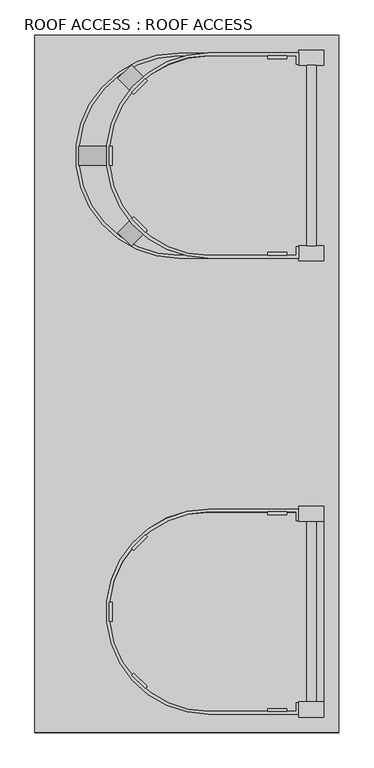
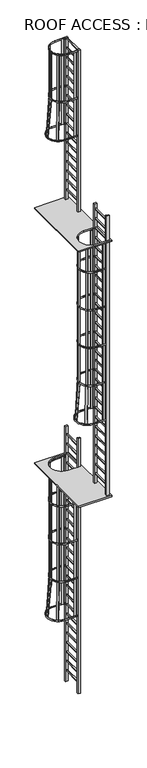
"""IFC4 building model written with IfcOpenShell, lengths in millimetres: proxy geometry, ROOF ACCESS : ROOF ACCESS."""

from ifc_helpers import new_model, si_unit, point, frame, frame_2d, origin, place, context, project, spatial, polyline, circle_curve, trimmed, segment, composite_curve, outline, extrude, source, transform, mapped, element, save


def roof_access_roof_access_285ead32(model_context):
    return source(origin(), model_context, "Body", "SweptSolid", [
        extrude(outline(polyline([(254595.2707747, 257764.8730843), (253579.2707747, 257764.8730843), (253579.2707747, 260095.3230843), (254595.2707747, 260095.3230843), (254595.2707747, 257764.8730843)]), holes=[composite_curve([segment(trimmed(circle_curve(frame_2d((254160.2957747, 258168.0980843)), 342.9), [point((254160.2957747, 258510.9980843))], [point((254160.2957747, 257825.1980843))], True, "CARTESIAN"), True, "CONTINUOUS"), segment(polyline([(254160.2957747, 257825.1980843), (254544.4707747, 257825.1980843), (254544.4707747, 258510.9980843), (254160.2957747, 258510.9980843)]), True, "CONTINUOUS")], self_intersect=False)]), frame((0.0, 0.0, 19291.3), z_axis=(0.0, 0.0, 1.0), x_axis=(1.0, 0.0, 0.0)), (0.0, 0.0, 1.0), 38.1),
        extrude(outline(polyline([(0.0, 0.0), (32.416563, -2.7885215), (31.6002229, -12.2784748), (-0.4089223, -9.525), (-1185.8707606, -9.525), (-1214.6771306, -7.0470327), (-1213.8607905, 2.4429206), (-1185.4618382, 0.0), (0.0, 0.0)])), frame((253901.7949295, 259388.6959586, 21803.2643386), z_axis=(-0.7071067811870541, 0.707106781186041, 0.0), x_axis=(-0.03814527034723701, -0.03814527034732451, -0.9985438782047916)), (0.0, 0.0, 1.0), 63.5),
        extrude(outline(polyline([(-38.1000001, 0.0), (-5.5637217, 0.0), (-5.5637218, -9.525), (-37.6910777, -9.5250001), (-1218.7910777, -111.1250001), (-1247.7038305, -111.125), (-1247.7038305, -101.6000001), (-1219.2, -101.6), (-38.1000001, 0.0)])), frame((253857.7512578, 259949.7413206, 21765.1836477), z_axis=(0.7071067811870542, 0.7071067811860409, 0.0), x_axis=(0.022509420823241387, -0.022509420823240762, -0.9994931975498406)), (0.0, 0.0, 1.0), 63.5),
        extrude(outline(polyline([(253910.2192846, 259897.2732938), (253903.4840925, 259904.0084859), (253948.3853731, 259948.9097665), (253955.1205652, 259942.1745744), (253910.2192846, 259897.2732938)])), frame((0.0, 0.0, 22987.0), z_axis=(0.0, 0.0, 1.0), x_axis=(1.0, 0.0, 0.0)), (0.0, 0.0, 1.0), 1555.75),
        extrude(outline(polyline([(253910.2192846, 259486.9228749), (253955.1205652, 259442.0215943), (253948.3853731, 259435.2864022), (253903.4840925, 259480.1876828), (253910.2192846, 259486.9228749)])), frame((0.0, 0.0, 22987.0), z_axis=(0.0, 0.0, 1.0), x_axis=(1.0, 0.0, 0.0)), (0.0, 0.0, 1.0), 1555.75),
        extrude(outline(polyline([(254357.1457747, 260015.9480843), (254357.1457747, 260025.4730843), (254420.6457747, 260025.4730843), (254420.6457747, 260015.9480843), (254357.1457747, 260015.9480843)])), frame((0.0, 0.0, 21767.8), z_axis=(0.0, 0.0, 1.0), x_axis=(1.0, 0.0, 0.0)), (0.0, 0.0, 1.0), 2774.95),
        extrude(outline(polyline([(254357.1457747, 259368.2480843), (254420.6457747, 259368.2480843), (254420.6457747, 259358.7230843), (254357.1457747, 259358.7230843), (254357.1457747, 259368.2480843)])), frame((0.0, 0.0, 21767.8), z_axis=(0.0, 0.0, 1.0), x_axis=(1.0, 0.0, 0.0)), (0.0, 0.0, 1.0), 2774.95),
        extrude(outline(polyline([(21805.9, 253725.3207747), (21767.8, 253725.3207747), (21767.8, 253734.8457747), (21805.4910777, 253734.8457747), (22986.5910777, 253836.4457747), (23025.1, 253836.4457747), (23025.1, 253826.9207747), (22987.0, 253826.9207747), (21805.9, 253725.3207747)])), frame((0.0, 259660.3480843, 0.0), z_axis=(0.0, 1.0, 0.0), x_axis=(0.0, 0.0, 1.0)), (0.0, 0.0, 1.0), 63.5),
        extrude(outline(polyline([(253837.9611234, 259723.8480843), (253837.9611234, 259660.3480843), (253828.4361234, 259660.3480843), (253828.4361234, 259723.8480843), (253837.9611234, 259723.8480843)])), frame((0.0, 0.0, 22987.0), z_axis=(0.0, 0.0, 1.0), x_axis=(1.0, 0.0, 0.0)), (0.0, 0.0, 1.0), 1555.75),
        extrude(outline(composite_curve([segment(polyline([(254461.9207747, 259996.8980843), (254452.3957747, 259996.8980843), (254452.3957747, 260025.4730843), (254058.6957747, 260025.4730843)]), True, "CONTINUOUS"), segment(trimmed(circle_curve(frame_2d((254058.6957747, 259692.0980843)), 333.375), [point((254058.6957747, 260025.4730843))], [point((254058.6957747, 259358.7230843))], True, "CARTESIAN"), True, "CONTINUOUS"), segment(polyline([(254058.6957747, 259358.7230843), (254452.3957747, 259358.7230843), (254452.3957747, 259387.2980843), (254461.9207747, 259387.2980843), (254461.9207747, 259349.1980843), (254058.6957747, 259349.1980843)]), True, "CONTINUOUS"), segment(trimmed(circle_curve(frame_2d((254058.6957747, 259692.0980843)), 342.9), [point((254058.6957747, 259349.1980843))], [point((254058.6957747, 260034.9980843))], False, "CARTESIAN"), True, "CONTINUOUS"), segment(polyline([(254058.6957747, 260034.9980843), (254461.9207747, 260034.9980843), (254461.9207747, 259996.8980843)]), True, "CONTINUOUS")], self_intersect=False)), frame((0.0, 0.0, 21767.8), z_axis=(0.0, 0.0, 1.0), x_axis=(1.0, 0.0, 0.0)), (0.0, 0.0, 1.0), 38.1),
        extrude(outline(composite_curve([segment(polyline([(254461.9207747, 259996.8980843), (254452.3957747, 259996.8980843), (254452.3957747, 260025.4730843), (254160.2957747, 260025.4730843)]), True, "CONTINUOUS"), segment(trimmed(circle_curve(frame_2d((254160.2957747, 259692.0980843)), 333.375), [point((254160.2957747, 260025.4730843))], [point((254160.2957747, 259358.7230843))], True, "CARTESIAN"), True, "CONTINUOUS"), segment(polyline([(254160.2957747, 259358.7230843), (254452.3957747, 259358.7230843), (254452.3957747, 259387.2980843), (254461.9207747, 259387.2980843), (254461.9207747, 259349.1980843), (254160.2957747, 259349.1980843)]), True, "CONTINUOUS"), segment(trimmed(circle_curve(frame_2d((254160.2957747, 259692.0980843)), 342.9), [point((254160.2957747, 259349.1980843))], [point((254160.2957747, 260034.9980843))], False, "CARTESIAN"), True, "CONTINUOUS"), segment(polyline([(254160.2957747, 260034.9980843), (254461.9207747, 260034.9980843), (254461.9207747, 259996.8980843)]), True, "CONTINUOUS")], self_intersect=False)), frame((0.0, 0.0, 24504.65), z_axis=(0.0, 0.0, 1.0), x_axis=(1.0, 0.0, 0.0)), (0.0, 0.0, 1.0), 38.1),
        extrude(outline(composite_curve([segment(polyline([(254461.9207747, 259996.8980843), (254452.3957747, 259996.8980843), (254452.3957747, 260025.4730843), (254160.2957747, 260025.4730843)]), True, "CONTINUOUS"), segment(trimmed(circle_curve(frame_2d((254160.2957747, 259692.0980843)), 333.375), [point((254160.2957747, 260025.4730843))], [point((254160.2957747, 259358.7230843))], True, "CARTESIAN"), True, "CONTINUOUS"), segment(polyline([(254160.2957747, 259358.7230843), (254452.3957747, 259358.7230843), (254452.3957747, 259387.2980843), (254461.9207747, 259387.2980843), (254461.9207747, 259349.1980843), (254160.2957747, 259349.1980843)]), True, "CONTINUOUS"), segment(trimmed(circle_curve(frame_2d((254160.2957747, 259692.0980843)), 342.9), [point((254160.2957747, 259349.1980843))], [point((254160.2957747, 260034.9980843))], False, "CARTESIAN"), True, "CONTINUOUS"), segment(polyline([(254160.2957747, 260034.9980843), (254461.9207747, 260034.9980843), (254461.9207747, 259996.8980843)]), True, "CONTINUOUS")], self_intersect=False)), frame((0.0, 0.0, 22987.0), z_axis=(0.0, 0.0, 1.0), x_axis=(1.0, 0.0, 0.0)), (0.0, 0.0, 1.0), 38.1),
        extrude(outline(polyline([(254519.0707747, 259390.4730843), (254487.3207747, 259390.4730843), (254487.3207747, 259993.7230843), (254519.0707747, 259993.7230843), (254519.0707747, 259390.4730843)])), frame((0.0, 0.0, 20548.6), z_axis=(0.0, 0.0, 1.0), x_axis=(1.0, 0.0, 0.0)), (0.0, 0.0, 1.0), 31.75),
        extrude(outline(polyline([(254519.0707747, 259390.4730843), (254487.3207747, 259390.4730843), (254487.3207747, 259993.7230843), (254519.0707747, 259993.7230843), (254519.0707747, 259390.4730843)])), frame((0.0, 0.0, 20853.4), z_axis=(0.0, 0.0, 1.0), x_axis=(1.0, 0.0, 0.0)), (0.0, 0.0, 1.0), 31.75),
        extrude(outline(polyline([(254519.0707747, 259390.4730843), (254487.3207747, 259390.4730843), (254487.3207747, 259993.7230843), (254519.0707747, 259993.7230843), (254519.0707747, 259390.4730843)])), frame((0.0, 0.0, 21158.2), z_axis=(0.0, 0.0, 1.0), x_axis=(1.0, 0.0, 0.0)), (0.0, 0.0, 1.0), 31.75),
        extrude(outline(polyline([(254519.0707747, 259390.4730843), (254487.3207747, 259390.4730843), (254487.3207747, 259993.7230843), (254519.0707747, 259993.7230843), (254519.0707747, 259390.4730843)])), frame((0.0, 0.0, 21463.0), z_axis=(0.0, 0.0, 1.0), x_axis=(1.0, 0.0, 0.0)), (0.0, 0.0, 1.0), 31.75),
        extrude(outline(polyline([(254519.0707747, 259390.4730843), (254487.3207747, 259390.4730843), (254487.3207747, 259993.7230843), (254519.0707747, 259993.7230843), (254519.0707747, 259390.4730843)])), frame((0.0, 0.0, 21767.8), z_axis=(0.0, 0.0, 1.0), x_axis=(1.0, 0.0, 0.0)), (0.0, 0.0, 1.0), 31.75),
        extrude(outline(polyline([(254519.0707747, 259390.4730843), (254487.3207747, 259390.4730843), (254487.3207747, 259993.7230843), (254519.0707747, 259993.7230843), (254519.0707747, 259390.4730843)])), frame((0.0, 0.0, 22072.6), z_axis=(0.0, 0.0, 1.0), x_axis=(1.0, 0.0, 0.0)), (0.0, 0.0, 1.0), 31.75),
        extrude(outline(polyline([(254519.0707747, 259390.4730843), (254487.3207747, 259390.4730843), (254487.3207747, 259993.7230843), (254519.0707747, 259993.7230843), (254519.0707747, 259390.4730843)])), frame((0.0, 0.0, 22377.4), z_axis=(0.0, 0.0, 1.0), x_axis=(1.0, 0.0, 0.0)), (0.0, 0.0, 1.0), 31.75),
        extrude(outline(polyline([(254519.0707747, 259390.4730843), (254487.3207747, 259390.4730843), (254487.3207747, 259993.7230843), (254519.0707747, 259993.7230843), (254519.0707747, 259390.4730843)])), frame((0.0, 0.0, 22682.2), z_axis=(0.0, 0.0, 1.0), x_axis=(1.0, 0.0, 0.0)), (0.0, 0.0, 1.0), 31.75),
        extrude(outline(polyline([(254519.0707747, 259390.4730843), (254487.3207747, 259390.4730843), (254487.3207747, 259993.7230843), (254519.0707747, 259993.7230843), (254519.0707747, 259390.4730843)])), frame((0.0, 0.0, 22987.0), z_axis=(0.0, 0.0, 1.0), x_axis=(1.0, 0.0, 0.0)), (0.0, 0.0, 1.0), 31.75),
        extrude(outline(polyline([(254519.0707747, 259390.4730843), (254487.3207747, 259390.4730843), (254487.3207747, 259993.7230843), (254519.0707747, 259993.7230843), (254519.0707747, 259390.4730843)])), frame((0.0, 0.0, 23291.8), z_axis=(0.0, 0.0, 1.0), x_axis=(1.0, 0.0, 0.0)), (0.0, 0.0, 1.0), 31.75),
        extrude(outline(polyline([(254519.0707747, 259390.4730843), (254487.3207747, 259390.4730843), (254487.3207747, 259993.7230843), (254519.0707747, 259993.7230843), (254519.0707747, 259390.4730843)])), frame((0.0, 0.0, 23596.6), z_axis=(0.0, 0.0, 1.0), x_axis=(1.0, 0.0, 0.0)), (0.0, 0.0, 1.0), 31.75),
        extrude(outline(polyline([(254519.0707747, 259390.4730843), (254487.3207747, 259390.4730843), (254487.3207747, 259993.7230843), (254519.0707747, 259993.7230843), (254519.0707747, 259390.4730843)])), frame((0.0, 0.0, 23901.4), z_axis=(0.0, 0.0, 1.0), x_axis=(1.0, 0.0, 0.0)), (0.0, 0.0, 1.0), 31.75),
        extrude(outline(polyline([(254519.0707747, 259390.4730843), (254487.3207747, 259390.4730843), (254487.3207747, 259993.7230843), (254519.0707747, 259993.7230843), (254519.0707747, 259390.4730843)])), frame((0.0, 0.0, 24206.2), z_axis=(0.0, 0.0, 1.0), x_axis=(1.0, 0.0, 0.0)), (0.0, 0.0, 1.0), 31.75),
        extrude(outline(polyline([(254519.0707747, 259390.4730843), (254487.3207747, 259390.4730843), (254487.3207747, 259993.7230843), (254519.0707747, 259993.7230843), (254519.0707747, 259390.4730843)])), frame((0.0, 0.0, 24511.0), z_axis=(0.0, 0.0, 1.0), x_axis=(1.0, 0.0, 0.0)), (0.0, 0.0, 1.0), 31.75),
        extrude(outline(polyline([(254519.0707747, 259390.4730843), (254487.3207747, 259390.4730843), (254487.3207747, 259993.7230843), (254519.0707747, 259993.7230843), (254519.0707747, 259390.4730843)])), frame((0.0, 0.0, 20243.8), z_axis=(0.0, 0.0, 1.0), x_axis=(1.0, 0.0, 0.0)), (0.0, 0.0, 1.0), 31.75),
        extrude(outline(polyline([(254519.0707747, 259390.4730843), (254487.3207747, 259390.4730843), (254487.3207747, 259993.7230843), (254519.0707747, 259993.7230843), (254519.0707747, 259390.4730843)])), frame((0.0, 0.0, 19939.0), z_axis=(0.0, 0.0, 1.0), x_axis=(1.0, 0.0, 0.0)), (0.0, 0.0, 1.0), 31.75),
        extrude(outline(polyline([(254519.0707747, 259390.4730843), (254487.3207747, 259390.4730843), (254487.3207747, 259993.7230843), (254519.0707747, 259993.7230843), (254519.0707747, 259390.4730843)])), frame((0.0, 0.0, 19634.2), z_axis=(0.0, 0.0, 1.0), x_axis=(1.0, 0.0, 0.0)), (0.0, 0.0, 1.0), 31.75),
        extrude(outline(polyline([(254544.4707747, 260044.5230843), (254544.4707747, 259993.7230843), (254461.9207747, 259993.7230843), (254461.9207747, 260044.5230843), (254544.4707747, 260044.5230843)])), frame((0.0, 0.0, 19329.4), z_axis=(0.0, 0.0, 1.0), x_axis=(1.0, 0.0, 0.0)), (0.0, 0.0, 1.0), 5213.35),
        extrude(outline(polyline([(254544.4707747, 259390.4730843), (254544.4707747, 259339.6730843), (254461.9207747, 259339.6730843), (254461.9207747, 259390.4730843), (254544.4707747, 259390.4730843)])), frame((0.0, 0.0, 19329.4), z_axis=(0.0, 0.0, 1.0), x_axis=(1.0, 0.0, 0.0)), (0.0, 0.0, 1.0), 5213.35),
        extrude(outline(polyline([(254595.2707747, 260095.3230843), (254595.2707747, 257764.8730843), (253579.2707747, 257764.8730843), (253579.2707747, 260095.3230843), (254595.2707747, 260095.3230843)]), holes=[composite_curve([segment(polyline([(254160.2957747, 259349.1980843), (254544.4707747, 259349.1980843), (254544.4707747, 260034.9980843), (254160.2957747, 260034.9980843)]), True, "CONTINUOUS"), segment(trimmed(circle_curve(frame_2d((254160.2957747, 259692.0980843)), 342.9), [point((254160.2957747, 260034.9980843))], [point((254160.2957747, 259349.1980843))], True, "CARTESIAN"), True, "CONTINUOUS")], self_intersect=False)]), frame((0.0, 0.0, 11061.7), z_axis=(0.0, 0.0, 1.0), x_axis=(1.0, 0.0, 0.0)), (0.0, 0.0, 1.0), 38.1),
        extrude(outline(polyline([(0.0, 0.0), (32.416563, -2.7885215), (31.6002229, -12.2784748), (-0.4089223, -9.525), (-1185.8707606, -9.525), (-1214.6771306, -7.0470327), (-1213.8607905, 2.4429206), (-1185.4618382, 0.0), (0.0, 0.0)])), frame((253901.7949295, 257864.6959586, 13573.6643386), z_axis=(-0.7071067811870542, 0.707106781186041, 0.0), x_axis=(-0.03814527034723968, -0.03814527034732719, -0.9985438782047914)), (0.0, 0.0, 1.0), 63.5),
        extrude(outline(polyline([(-38.1000001, 0.0), (-5.5637217, 0.0), (-5.5637218, -9.525), (-37.6910777, -9.5250001), (-1218.7910777, -111.1250001), (-1247.7038305, -111.125), (-1247.7038305, -101.6000001), (-1219.2, -101.6), (-38.1000001, 0.0)])), frame((253857.7512578, 258425.7413206, 13535.5836477), z_axis=(0.7071067811870542, 0.7071067811860409, 0.0), x_axis=(0.022509420823242886, -0.02250942082324226, -0.9994931975498405)), (0.0, 0.0, 1.0), 63.5),
        extrude(outline(polyline([(253910.2192846, 258373.2732938), (253903.4840925, 258380.0084859), (253948.3853731, 258424.9097665), (253955.1205652, 258418.1745744), (253910.2192846, 258373.2732938)])), frame((0.0, 0.0, 14757.4), z_axis=(0.0, 0.0, 1.0), x_axis=(1.0, 0.0, 0.0)), (0.0, 0.0, 1.0), 4533.9),
        extrude(outline(polyline([(253910.2192846, 257962.9228749), (253955.1205652, 257918.0215943), (253948.3853731, 257911.2864022), (253903.4840925, 257956.1876828), (253910.2192846, 257962.9228749)])), frame((0.0, 0.0, 14757.4), z_axis=(0.0, 0.0, 1.0), x_axis=(1.0, 0.0, 0.0)), (0.0, 0.0, 1.0), 4533.9),
        extrude(outline(polyline([(254357.1457747, 258491.9480843), (254357.1457747, 258501.4730843), (254420.6457747, 258501.4730843), (254420.6457747, 258491.9480843), (254357.1457747, 258491.9480843)])), frame((0.0, 0.0, 13538.2), z_axis=(0.0, 0.0, 1.0), x_axis=(1.0, 0.0, 0.0)), (0.0, 0.0, 1.0), 5753.1),
        extrude(outline(polyline([(254357.1457747, 257844.2480843), (254420.6457747, 257844.2480843), (254420.6457747, 257834.7230843), (254357.1457747, 257834.7230843), (254357.1457747, 257844.2480843)])), frame((0.0, 0.0, 13538.2), z_axis=(0.0, 0.0, 1.0), x_axis=(1.0, 0.0, 0.0)), (0.0, 0.0, 1.0), 5753.1),
        extrude(outline(polyline([(13576.3, 253725.3207747), (13538.2, 253725.3207747), (13538.2, 253734.8457747), (13575.8910777, 253734.8457747), (14756.9910777, 253836.4457747), (14795.5, 253836.4457747), (14795.5, 253826.9207747), (14757.4, 253826.9207747), (13576.3, 253725.3207747)])), frame((0.0, 258136.3480843, 0.0), z_axis=(0.0, 1.0, 0.0), x_axis=(0.0, 0.0, 1.0)), (0.0, 0.0, 1.0), 63.5),
        extrude(outline(polyline([(253837.9611234, 258199.8480843), (253837.9611234, 258136.3480843), (253828.4361234, 258136.3480843), (253828.4361234, 258199.8480843), (253837.9611234, 258199.8480843)])), frame((0.0, 0.0, 14757.4), z_axis=(0.0, 0.0, 1.0), x_axis=(1.0, 0.0, 0.0)), (0.0, 0.0, 1.0), 4533.9),
        extrude(outline(composite_curve([segment(polyline([(254461.9207747, 258472.8980843), (254452.3957747, 258472.8980843), (254452.3957747, 258501.4730843), (254058.6957747, 258501.4730843)]), True, "CONTINUOUS"), segment(trimmed(circle_curve(frame_2d((254058.6957747, 258168.0980843)), 333.375), [point((254058.6957747, 258501.4730843))], [point((254058.6957747, 257834.7230843))], True, "CARTESIAN"), True, "CONTINUOUS"), segment(polyline([(254058.6957747, 257834.7230843), (254452.3957747, 257834.7230843), (254452.3957747, 257863.2980843), (254461.9207747, 257863.2980843), (254461.9207747, 257825.1980843), (254058.6957747, 257825.1980843)]), True, "CONTINUOUS"), segment(trimmed(circle_curve(frame_2d((254058.6957747, 258168.0980843)), 342.9), [point((254058.6957747, 257825.1980843))], [point((254058.6957747, 258510.9980843))], False, "CARTESIAN"), True, "CONTINUOUS"), segment(polyline([(254058.6957747, 258510.9980843), (254461.9207747, 258510.9980843), (254461.9207747, 258472.8980843)]), True, "CONTINUOUS")], self_intersect=False)), frame((0.0, 0.0, 13538.2), z_axis=(0.0, 0.0, 1.0), x_axis=(1.0, 0.0, 0.0)), (0.0, 0.0, 1.0), 38.1),
        extrude(outline(composite_curve([segment(polyline([(254461.9207747, 258472.8980843), (254452.3957747, 258472.8980843), (254452.3957747, 258501.4730843), (254160.2957747, 258501.4730843)]), True, "CONTINUOUS"), segment(trimmed(circle_curve(frame_2d((254160.2957747, 258168.0980843)), 333.375), [point((254160.2957747, 258501.4730843))], [point((254160.2957747, 257834.7230843))], True, "CARTESIAN"), True, "CONTINUOUS"), segment(polyline([(254160.2957747, 257834.7230843), (254452.3957747, 257834.7230843), (254452.3957747, 257863.2980843), (254461.9207747, 257863.2980843), (254461.9207747, 257825.1980843), (254160.2957747, 257825.1980843)]), True, "CONTINUOUS"), segment(trimmed(circle_curve(frame_2d((254160.2957747, 258168.0980843)), 342.9), [point((254160.2957747, 257825.1980843))], [point((254160.2957747, 258510.9980843))], False, "CARTESIAN"), True, "CONTINUOUS"), segment(polyline([(254160.2957747, 258510.9980843), (254461.9207747, 258510.9980843), (254461.9207747, 258472.8980843)]), True, "CONTINUOUS")], self_intersect=False)), frame((0.0, 0.0, 18415.0), z_axis=(0.0, 0.0, 1.0), x_axis=(1.0, 0.0, 0.0)), (0.0, 0.0, 1.0), 38.1),
        extrude(outline(composite_curve([segment(polyline([(254461.9207747, 258472.8980843), (254452.3957747, 258472.8980843), (254452.3957747, 258501.4730843), (254160.2957747, 258501.4730843)]), True, "CONTINUOUS"), segment(trimmed(circle_curve(frame_2d((254160.2957747, 258168.0980843)), 333.375), [point((254160.2957747, 258501.4730843))], [point((254160.2957747, 257834.7230843))], True, "CARTESIAN"), True, "CONTINUOUS"), segment(polyline([(254160.2957747, 257834.7230843), (254452.3957747, 257834.7230843), (254452.3957747, 257863.2980843), (254461.9207747, 257863.2980843), (254461.9207747, 257825.1980843), (254160.2957747, 257825.1980843)]), True, "CONTINUOUS"), segment(trimmed(circle_curve(frame_2d((254160.2957747, 258168.0980843)), 342.9), [point((254160.2957747, 257825.1980843))], [point((254160.2957747, 258510.9980843))], False, "CARTESIAN"), True, "CONTINUOUS"), segment(polyline([(254160.2957747, 258510.9980843), (254461.9207747, 258510.9980843), (254461.9207747, 258472.8980843)]), True, "CONTINUOUS")], self_intersect=False)), frame((0.0, 0.0, 17195.8), z_axis=(0.0, 0.0, 1.0), x_axis=(1.0, 0.0, 0.0)), (0.0, 0.0, 1.0), 38.1),
        extrude(outline(composite_curve([segment(polyline([(254461.9207747, 258472.8980843), (254452.3957747, 258472.8980843), (254452.3957747, 258501.4730843), (254160.2957747, 258501.4730843)]), True, "CONTINUOUS"), segment(trimmed(circle_curve(frame_2d((254160.2957747, 258168.0980843)), 333.375), [point((254160.2957747, 258501.4730843))], [point((254160.2957747, 257834.7230843))], True, "CARTESIAN"), True, "CONTINUOUS"), segment(polyline([(254160.2957747, 257834.7230843), (254452.3957747, 257834.7230843), (254452.3957747, 257863.2980843), (254461.9207747, 257863.2980843), (254461.9207747, 257825.1980843), (254160.2957747, 257825.1980843)]), True, "CONTINUOUS"), segment(trimmed(circle_curve(frame_2d((254160.2957747, 258168.0980843)), 342.9), [point((254160.2957747, 257825.1980843))], [point((254160.2957747, 258510.9980843))], False, "CARTESIAN"), True, "CONTINUOUS"), segment(polyline([(254160.2957747, 258510.9980843), (254461.9207747, 258510.9980843), (254461.9207747, 258472.8980843)]), True, "CONTINUOUS")], self_intersect=False)), frame((0.0, 0.0, 15976.6), z_axis=(0.0, 0.0, 1.0), x_axis=(1.0, 0.0, 0.0)), (0.0, 0.0, 1.0), 38.1),
        extrude(outline(composite_curve([segment(polyline([(254461.9207747, 258472.8980843), (254452.3957747, 258472.8980843), (254452.3957747, 258501.4730843), (254160.2957747, 258501.4730843)]), True, "CONTINUOUS"), segment(trimmed(circle_curve(frame_2d((254160.2957747, 258168.0980843)), 333.375), [point((254160.2957747, 258501.4730843))], [point((254160.2957747, 257834.7230843))], True, "CARTESIAN"), True, "CONTINUOUS"), segment(polyline([(254160.2957747, 257834.7230843), (254452.3957747, 257834.7230843), (254452.3957747, 257863.2980843), (254461.9207747, 257863.2980843), (254461.9207747, 257825.1980843), (254160.2957747, 257825.1980843)]), True, "CONTINUOUS"), segment(trimmed(circle_curve(frame_2d((254160.2957747, 258168.0980843)), 342.9), [point((254160.2957747, 257825.1980843))], [point((254160.2957747, 258510.9980843))], False, "CARTESIAN"), True, "CONTINUOUS"), segment(polyline([(254160.2957747, 258510.9980843), (254461.9207747, 258510.9980843), (254461.9207747, 258472.8980843)]), True, "CONTINUOUS")], self_intersect=False)), frame((0.0, 0.0, 14757.4), z_axis=(0.0, 0.0, 1.0), x_axis=(1.0, 0.0, 0.0)), (0.0, 0.0, 1.0), 38.1),
        extrude(outline(polyline([(254519.0707747, 257866.4730843), (254487.3207747, 257866.4730843), (254487.3207747, 258469.7230843), (254519.0707747, 258469.7230843), (254519.0707747, 257866.4730843)])), frame((0.0, 0.0, 12623.8), z_axis=(0.0, 0.0, 1.0), x_axis=(1.0, 0.0, 0.0)), (0.0, 0.0, 1.0), 31.75),
        extrude(outline(polyline([(254519.0707747, 257866.4730843), (254487.3207747, 257866.4730843), (254487.3207747, 258469.7230843), (254519.0707747, 258469.7230843), (254519.0707747, 257866.4730843)])), frame((0.0, 0.0, 12928.6), z_axis=(0.0, 0.0, 1.0), x_axis=(1.0, 0.0, 0.0)), (0.0, 0.0, 1.0), 31.75),
        extrude(outline(polyline([(254519.0707747, 257866.4730843), (254487.3207747, 257866.4730843), (254487.3207747, 258469.7230843), (254519.0707747, 258469.7230843), (254519.0707747, 257866.4730843)])), frame((0.0, 0.0, 13233.4), z_axis=(0.0, 0.0, 1.0), x_axis=(1.0, 0.0, 0.0)), (0.0, 0.0, 1.0), 31.75),
        extrude(outline(polyline([(254519.0707747, 257866.4730843), (254487.3207747, 257866.4730843), (254487.3207747, 258469.7230843), (254519.0707747, 258469.7230843), (254519.0707747, 257866.4730843)])), frame((0.0, 0.0, 13538.2), z_axis=(0.0, 0.0, 1.0), x_axis=(1.0, 0.0, 0.0)), (0.0, 0.0, 1.0), 31.75),
        extrude(outline(polyline([(254519.0707747, 257866.4730843), (254487.3207747, 257866.4730843), (254487.3207747, 258469.7230843), (254519.0707747, 258469.7230843), (254519.0707747, 257866.4730843)])), frame((0.0, 0.0, 13843.0), z_axis=(0.0, 0.0, 1.0), x_axis=(1.0, 0.0, 0.0)), (0.0, 0.0, 1.0), 31.75),
        extrude(outline(polyline([(254519.0707747, 257866.4730843), (254487.3207747, 257866.4730843), (254487.3207747, 258469.7230843), (254519.0707747, 258469.7230843), (254519.0707747, 257866.4730843)])), frame((0.0, 0.0, 14147.8), z_axis=(0.0, 0.0, 1.0), x_axis=(1.0, 0.0, 0.0)), (0.0, 0.0, 1.0), 31.75),
        extrude(outline(polyline([(254519.0707747, 257866.4730843), (254487.3207747, 257866.4730843), (254487.3207747, 258469.7230843), (254519.0707747, 258469.7230843), (254519.0707747, 257866.4730843)])), frame((0.0, 0.0, 14452.6), z_axis=(0.0, 0.0, 1.0), x_axis=(1.0, 0.0, 0.0)), (0.0, 0.0, 1.0), 31.75),
        extrude(outline(polyline([(254519.0707747, 257866.4730843), (254487.3207747, 257866.4730843), (254487.3207747, 258469.7230843), (254519.0707747, 258469.7230843), (254519.0707747, 257866.4730843)])), frame((0.0, 0.0, 14757.4), z_axis=(0.0, 0.0, 1.0), x_axis=(1.0, 0.0, 0.0)), (0.0, 0.0, 1.0), 31.75),
        extrude(outline(polyline([(254519.0707747, 257866.4730843), (254487.3207747, 257866.4730843), (254487.3207747, 258469.7230843), (254519.0707747, 258469.7230843), (254519.0707747, 257866.4730843)])), frame((0.0, 0.0, 15062.2), z_axis=(0.0, 0.0, 1.0), x_axis=(1.0, 0.0, 0.0)), (0.0, 0.0, 1.0), 31.75),
        extrude(outline(polyline([(254519.0707747, 257866.4730843), (254487.3207747, 257866.4730843), (254487.3207747, 258469.7230843), (254519.0707747, 258469.7230843), (254519.0707747, 257866.4730843)])), frame((0.0, 0.0, 15367.0), z_axis=(0.0, 0.0, 1.0), x_axis=(1.0, 0.0, 0.0)), (0.0, 0.0, 1.0), 31.75),
        extrude(outline(polyline([(254519.0707747, 257866.4730843), (254487.3207747, 257866.4730843), (254487.3207747, 258469.7230843), (254519.0707747, 258469.7230843), (254519.0707747, 257866.4730843)])), frame((0.0, 0.0, 15671.8), z_axis=(0.0, 0.0, 1.0), x_axis=(1.0, 0.0, 0.0)), (0.0, 0.0, 1.0), 31.75),
        extrude(outline(polyline([(254519.0707747, 257866.4730843), (254487.3207747, 257866.4730843), (254487.3207747, 258469.7230843), (254519.0707747, 258469.7230843), (254519.0707747, 257866.4730843)])), frame((0.0, 0.0, 15976.6), z_axis=(0.0, 0.0, 1.0), x_axis=(1.0, 0.0, 0.0)), (0.0, 0.0, 1.0), 31.75),
        extrude(outline(polyline([(254519.0707747, 257866.4730843), (254487.3207747, 257866.4730843), (254487.3207747, 258469.7230843), (254519.0707747, 258469.7230843), (254519.0707747, 257866.4730843)])), frame((0.0, 0.0, 16281.4), z_axis=(0.0, 0.0, 1.0), x_axis=(1.0, 0.0, 0.0)), (0.0, 0.0, 1.0), 31.75),
        extrude(outline(polyline([(254519.0707747, 257866.4730843), (254487.3207747, 257866.4730843), (254487.3207747, 258469.7230843), (254519.0707747, 258469.7230843), (254519.0707747, 257866.4730843)])), frame((0.0, 0.0, 16586.2), z_axis=(0.0, 0.0, 1.0), x_axis=(1.0, 0.0, 0.0)), (0.0, 0.0, 1.0), 31.75),
        extrude(outline(polyline([(254519.0707747, 257866.4730843), (254487.3207747, 257866.4730843), (254487.3207747, 258469.7230843), (254519.0707747, 258469.7230843), (254519.0707747, 257866.4730843)])), frame((0.0, 0.0, 16891.0), z_axis=(0.0, 0.0, 1.0), x_axis=(1.0, 0.0, 0.0)), (0.0, 0.0, 1.0), 31.75),
        extrude(outline(polyline([(254519.0707747, 257866.4730843), (254487.3207747, 257866.4730843), (254487.3207747, 258469.7230843), (254519.0707747, 258469.7230843), (254519.0707747, 257866.4730843)])), frame((0.0, 0.0, 17195.8), z_axis=(0.0, 0.0, 1.0), x_axis=(1.0, 0.0, 0.0)), (0.0, 0.0, 1.0), 31.75),
        extrude(outline(polyline([(254519.0707747, 257866.4730843), (254487.3207747, 257866.4730843), (254487.3207747, 258469.7230843), (254519.0707747, 258469.7230843), (254519.0707747, 257866.4730843)])), frame((0.0, 0.0, 17500.6), z_axis=(0.0, 0.0, 1.0), x_axis=(1.0, 0.0, 0.0)), (0.0, 0.0, 1.0), 31.75),
        extrude(outline(polyline([(254519.0707747, 257866.4730843), (254487.3207747, 257866.4730843), (254487.3207747, 258469.7230843), (254519.0707747, 258469.7230843), (254519.0707747, 257866.4730843)])), frame((0.0, 0.0, 17805.4), z_axis=(0.0, 0.0, 1.0), x_axis=(1.0, 0.0, 0.0)), (0.0, 0.0, 1.0), 31.75),
        extrude(outline(polyline([(254519.0707747, 257866.4730843), (254487.3207747, 257866.4730843), (254487.3207747, 258469.7230843), (254519.0707747, 258469.7230843), (254519.0707747, 257866.4730843)])), frame((0.0, 0.0, 18110.2), z_axis=(0.0, 0.0, 1.0), x_axis=(1.0, 0.0, 0.0)), (0.0, 0.0, 1.0), 31.75),
        extrude(outline(polyline([(254519.0707747, 257866.4730843), (254487.3207747, 257866.4730843), (254487.3207747, 258469.7230843), (254519.0707747, 258469.7230843), (254519.0707747, 257866.4730843)])), frame((0.0, 0.0, 18415.0), z_axis=(0.0, 0.0, 1.0), x_axis=(1.0, 0.0, 0.0)), (0.0, 0.0, 1.0), 31.75),
        extrude(outline(polyline([(254519.0707747, 257866.4730843), (254487.3207747, 257866.4730843), (254487.3207747, 258469.7230843), (254519.0707747, 258469.7230843), (254519.0707747, 257866.4730843)])), frame((0.0, 0.0, 18719.8), z_axis=(0.0, 0.0, 1.0), x_axis=(1.0, 0.0, 0.0)), (0.0, 0.0, 1.0), 31.75),
        extrude(outline(polyline([(254519.0707747, 257866.4730843), (254487.3207747, 257866.4730843), (254487.3207747, 258469.7230843), (254519.0707747, 258469.7230843), (254519.0707747, 257866.4730843)])), frame((0.0, 0.0, 19024.6), z_axis=(0.0, 0.0, 1.0), x_axis=(1.0, 0.0, 0.0)), (0.0, 0.0, 1.0), 31.75),
        extrude(outline(polyline([(254519.0707747, 257866.4730843), (254487.3207747, 257866.4730843), (254487.3207747, 258469.7230843), (254519.0707747, 258469.7230843), (254519.0707747, 257866.4730843)])), frame((0.0, 0.0, 19329.4), z_axis=(0.0, 0.0, 1.0), x_axis=(1.0, 0.0, 0.0)), (0.0, 0.0, 1.0), 31.75),
        extrude(outline(polyline([(254519.0707747, 257866.4730843), (254487.3207747, 257866.4730843), (254487.3207747, 258469.7230843), (254519.0707747, 258469.7230843), (254519.0707747, 257866.4730843)])), frame((0.0, 0.0, 19634.2), z_axis=(0.0, 0.0, 1.0), x_axis=(1.0, 0.0, 0.0)), (0.0, 0.0, 1.0), 31.75),
        extrude(outline(polyline([(254519.0707747, 257866.4730843), (254487.3207747, 257866.4730843), (254487.3207747, 258469.7230843), (254519.0707747, 258469.7230843), (254519.0707747, 257866.4730843)])), frame((0.0, 0.0, 19939.0), z_axis=(0.0, 0.0, 1.0), x_axis=(1.0, 0.0, 0.0)), (0.0, 0.0, 1.0), 31.75),
        extrude(outline(polyline([(254519.0707747, 257866.4730843), (254487.3207747, 257866.4730843), (254487.3207747, 258469.7230843), (254519.0707747, 258469.7230843), (254519.0707747, 257866.4730843)])), frame((0.0, 0.0, 12319.0), z_axis=(0.0, 0.0, 1.0), x_axis=(1.0, 0.0, 0.0)), (0.0, 0.0, 1.0), 31.75),
        extrude(outline(polyline([(254519.0707747, 257866.4730843), (254487.3207747, 257866.4730843), (254487.3207747, 258469.7230843), (254519.0707747, 258469.7230843), (254519.0707747, 257866.4730843)])), frame((0.0, 0.0, 12014.2), z_axis=(0.0, 0.0, 1.0), x_axis=(1.0, 0.0, 0.0)), (0.0, 0.0, 1.0), 31.75),
        extrude(outline(polyline([(254519.0707747, 257866.4730843), (254487.3207747, 257866.4730843), (254487.3207747, 258469.7230843), (254519.0707747, 258469.7230843), (254519.0707747, 257866.4730843)])), frame((0.0, 0.0, 11709.4), z_axis=(0.0, 0.0, 1.0), x_axis=(1.0, 0.0, 0.0)), (0.0, 0.0, 1.0), 31.75),
        extrude(outline(polyline([(254519.0707747, 257866.4730843), (254487.3207747, 257866.4730843), (254487.3207747, 258469.7230843), (254519.0707747, 258469.7230843), (254519.0707747, 257866.4730843)])), frame((0.0, 0.0, 11404.6), z_axis=(0.0, 0.0, 1.0), x_axis=(1.0, 0.0, 0.0)), (0.0, 0.0, 1.0), 31.75),
        extrude(outline(polyline([(254544.4707747, 258520.5230843), (254544.4707747, 258469.7230843), (254461.9207747, 258469.7230843), (254461.9207747, 258520.5230843), (254544.4707747, 258520.5230843)])), frame((0.0, 0.0, 11099.8), z_axis=(0.0, 0.0, 1.0), x_axis=(1.0, 0.0, 0.0)), (0.0, 0.0, 1.0), 9017.0),
        extrude(outline(polyline([(254544.4707747, 257866.4730843), (254544.4707747, 257815.6730843), (254461.9207747, 257815.6730843), (254461.9207747, 257866.4730843), (254544.4707747, 257866.4730843)])), frame((0.0, 0.0, 11099.8), z_axis=(0.0, 0.0, 1.0), x_axis=(1.0, 0.0, 0.0)), (0.0, 0.0, 1.0), 9017.0),
        extrude(outline(polyline([(0.0, 0.0), (32.416563, -2.7885215), (31.6002229, -12.2784748), (-0.4089223, -9.525), (-1185.8707606, -9.525), (-1214.6771306, -7.0470327), (-1213.8607905, 2.4429206), (-1185.4618382, 0.0), (0.0, 0.0)])), frame((253901.7949295, 259388.6959586, 6321.9643386), z_axis=(-0.7071067811870541, 0.7071067811860411, 0.0), x_axis=(-0.038145270347237366, -0.03814527034732486, -0.9985438782047916)), (0.0, 0.0, 1.0), 63.5),
        extrude(outline(polyline([(-38.1000001, 0.0), (-5.5637217, 0.0), (-5.5637218, -9.525), (-37.6910777, -9.5250001), (-1218.7910777, -111.1250001), (-1247.7038305, -111.125), (-1247.7038305, -101.6000001), (-1219.2, -101.6), (-38.1000001, 0.0)])), frame((253857.7512578, 259949.7413206, 6283.8836477), z_axis=(0.7071067811870542, 0.707106781186041, 0.0), x_axis=(0.022509420823242882, -0.022509420823242265, -0.9994931975498405)), (0.0, 0.0, 1.0), 63.5),
        extrude(outline(polyline([(253910.2192846, 259897.2732938), (253903.4840925, 259904.0084859), (253948.3853731, 259948.9097665), (253955.1205652, 259942.1745744), (253910.2192846, 259897.2732938)])), frame((0.0, 0.0, 7313.3087918), z_axis=(0.0, 0.0, 1.0), x_axis=(1.0, 0.0, 0.0)), (0.0, 0.0, 1.0), 3748.3912082),
        extrude(outline(polyline([(253910.2192846, 259486.9228749), (253955.1205652, 259442.0215943), (253948.3853731, 259435.2864022), (253903.4840925, 259480.1876828), (253910.2192846, 259486.9228749)])), frame((0.0, 0.0, 7313.3087918), z_axis=(0.0, 0.0, 1.0), x_axis=(1.0, 0.0, 0.0)), (0.0, 0.0, 1.0), 3748.3912082),
        extrude(outline(polyline([(254357.1457747, 260015.9480843), (254357.1457747, 260025.4730843), (254420.6457747, 260025.4730843), (254420.6457747, 260015.9480843), (254357.1457747, 260015.9480843)])), frame((0.0, 0.0, 6286.5), z_axis=(0.0, 0.0, 1.0), x_axis=(1.0, 0.0, 0.0)), (0.0, 0.0, 1.0), 4775.2),
        extrude(outline(polyline([(254357.1457747, 259368.2480843), (254420.6457747, 259368.2480843), (254420.6457747, 259358.7230843), (254357.1457747, 259358.7230843), (254357.1457747, 259368.2480843)])), frame((0.0, 0.0, 6286.5), z_axis=(0.0, 0.0, 1.0), x_axis=(1.0, 0.0, 0.0)), (0.0, 0.0, 1.0), 4775.2),
        extrude(outline(polyline([(6324.6, 253725.3207747), (6286.5, 253725.3207747), (6286.5, 253734.8457747), (6324.1910777, 253734.8457747), (7505.2910777, 253836.4457747), (7543.8, 253836.4457747), (7543.8, 253826.9207747), (7505.7, 253826.9207747), (6324.6, 253725.3207747)])), frame((0.0, 259660.3480843, 0.0), z_axis=(0.0, 1.0, 0.0), x_axis=(0.0, 0.0, 1.0)), (0.0, 0.0, 1.0), 63.5),
        extrude(outline(polyline([(253837.9611234, 259723.8480843), (253837.9611234, 259660.3480843), (253828.4361234, 259660.3480843), (253828.4361234, 259723.8480843), (253837.9611234, 259723.8480843)])), frame((0.0, 0.0, 7315.2), z_axis=(0.0, 0.0, 1.0), x_axis=(1.0, 0.0, 0.0)), (0.0, 0.0, 1.0), 3746.5),
        extrude(outline(composite_curve([segment(polyline([(254461.9207747, 259996.8980843), (254452.3957747, 259996.8980843), (254452.3957747, 260025.4730843), (254058.6957747, 260025.4730843)]), True, "CONTINUOUS"), segment(trimmed(circle_curve(frame_2d((254058.6957747, 259692.0980843)), 333.375), [point((254058.6957747, 260025.4730843))], [point((254058.6957747, 259358.7230843))], True, "CARTESIAN"), True, "CONTINUOUS"), segment(polyline([(254058.6957747, 259358.7230843), (254452.3957747, 259358.7230843), (254452.3957747, 259387.2980843), (254461.9207747, 259387.2980843), (254461.9207747, 259349.1980843), (254058.6957747, 259349.1980843)]), True, "CONTINUOUS"), segment(trimmed(circle_curve(frame_2d((254058.6957747, 259692.0980843)), 342.9), [point((254058.6957747, 259349.1980843))], [point((254058.6957747, 260034.9980843))], False, "CARTESIAN"), True, "CONTINUOUS"), segment(polyline([(254058.6957747, 260034.9980843), (254461.9207747, 260034.9980843), (254461.9207747, 259996.8980843)]), True, "CONTINUOUS")], self_intersect=False)), frame((0.0, 0.0, 6286.5), z_axis=(0.0, 0.0, 1.0), x_axis=(1.0, 0.0, 0.0)), (0.0, 0.0, 1.0), 38.1),
        extrude(outline(composite_curve([segment(polyline([(254461.9207747, 259996.8980843), (254452.3957747, 259996.8980843), (254452.3957747, 260025.4730843), (254160.2957747, 260025.4730843)]), True, "CONTINUOUS"), segment(trimmed(circle_curve(frame_2d((254160.2957747, 259692.0980843)), 333.375), [point((254160.2957747, 260025.4730843))], [point((254160.2957747, 259358.7230843))], True, "CARTESIAN"), True, "CONTINUOUS"), segment(polyline([(254160.2957747, 259358.7230843), (254452.3957747, 259358.7230843), (254452.3957747, 259387.2980843), (254461.9207747, 259387.2980843), (254461.9207747, 259349.1980843), (254160.2957747, 259349.1980843)]), True, "CONTINUOUS"), segment(trimmed(circle_curve(frame_2d((254160.2957747, 259692.0980843)), 342.9), [point((254160.2957747, 259349.1980843))], [point((254160.2957747, 260034.9980843))], False, "CARTESIAN"), True, "CONTINUOUS"), segment(polyline([(254160.2957747, 260034.9980843), (254461.9207747, 260034.9980843), (254461.9207747, 259996.8980843)]), True, "CONTINUOUS")], self_intersect=False)), frame((0.0, 0.0, 11023.6), z_axis=(0.0, 0.0, 1.0), x_axis=(1.0, 0.0, 0.0)), (0.0, 0.0, 1.0), 38.1),
        extrude(outline(composite_curve([segment(polyline([(254461.9207747, 259996.8980843), (254452.3957747, 259996.8980843), (254452.3957747, 260025.4730843), (254160.2957747, 260025.4730843)]), True, "CONTINUOUS"), segment(trimmed(circle_curve(frame_2d((254160.2957747, 259692.0980843)), 333.375), [point((254160.2957747, 260025.4730843))], [point((254160.2957747, 259358.7230843))], True, "CARTESIAN"), True, "CONTINUOUS"), segment(polyline([(254160.2957747, 259358.7230843), (254452.3957747, 259358.7230843), (254452.3957747, 259387.2980843), (254461.9207747, 259387.2980843), (254461.9207747, 259349.1980843), (254160.2957747, 259349.1980843)]), True, "CONTINUOUS"), segment(trimmed(circle_curve(frame_2d((254160.2957747, 259692.0980843)), 342.9), [point((254160.2957747, 259349.1980843))], [point((254160.2957747, 260034.9980843))], False, "CARTESIAN"), True, "CONTINUOUS"), segment(polyline([(254160.2957747, 260034.9980843), (254461.9207747, 260034.9980843), (254461.9207747, 259996.8980843)]), True, "CONTINUOUS")], self_intersect=False)), frame((0.0, 0.0, 9944.1), z_axis=(0.0, 0.0, 1.0), x_axis=(1.0, 0.0, 0.0)), (0.0, 0.0, 1.0), 38.1),
        extrude(outline(composite_curve([segment(polyline([(254461.9207747, 259996.8980843), (254452.3957747, 259996.8980843), (254452.3957747, 260025.4730843), (254160.2957747, 260025.4730843)]), True, "CONTINUOUS"), segment(trimmed(circle_curve(frame_2d((254160.2957747, 259692.0980843)), 333.375), [point((254160.2957747, 260025.4730843))], [point((254160.2957747, 259358.7230843))], True, "CARTESIAN"), True, "CONTINUOUS"), segment(polyline([(254160.2957747, 259358.7230843), (254452.3957747, 259358.7230843), (254452.3957747, 259387.2980843), (254461.9207747, 259387.2980843), (254461.9207747, 259349.1980843), (254160.2957747, 259349.1980843)]), True, "CONTINUOUS"), segment(trimmed(circle_curve(frame_2d((254160.2957747, 259692.0980843)), 342.9), [point((254160.2957747, 259349.1980843))], [point((254160.2957747, 260034.9980843))], False, "CARTESIAN"), True, "CONTINUOUS"), segment(polyline([(254160.2957747, 260034.9980843), (254461.9207747, 260034.9980843), (254461.9207747, 259996.8980843)]), True, "CONTINUOUS")], self_intersect=False)), frame((0.0, 0.0, 8724.9), z_axis=(0.0, 0.0, 1.0), x_axis=(1.0, 0.0, 0.0)), (0.0, 0.0, 1.0), 38.1),
        extrude(outline(composite_curve([segment(polyline([(254461.9207747, 259996.8980843), (254452.3957747, 259996.8980843), (254452.3957747, 260025.4730843), (254160.2957747, 260025.4730843)]), True, "CONTINUOUS"), segment(trimmed(circle_curve(frame_2d((254160.2957747, 259692.0980843)), 333.375), [point((254160.2957747, 260025.4730843))], [point((254160.2957747, 259358.7230843))], True, "CARTESIAN"), True, "CONTINUOUS"), segment(polyline([(254160.2957747, 259358.7230843), (254452.3957747, 259358.7230843), (254452.3957747, 259387.2980843), (254461.9207747, 259387.2980843), (254461.9207747, 259349.1980843), (254160.2957747, 259349.1980843)]), True, "CONTINUOUS"), segment(trimmed(circle_curve(frame_2d((254160.2957747, 259692.0980843)), 342.9), [point((254160.2957747, 259349.1980843))], [point((254160.2957747, 260034.9980843))], False, "CARTESIAN"), True, "CONTINUOUS"), segment(polyline([(254160.2957747, 260034.9980843), (254461.9207747, 260034.9980843), (254461.9207747, 259996.8980843)]), True, "CONTINUOUS")], self_intersect=False)), frame((0.0, 0.0, 7505.7), z_axis=(0.0, 0.0, 1.0), x_axis=(1.0, 0.0, 0.0)), (0.0, 0.0, 1.0), 38.1),
        extrude(outline(polyline([(254519.0707747, 259390.4730843), (254487.3207747, 259390.4730843), (254487.3207747, 259993.7230843), (254519.0707747, 259993.7230843), (254519.0707747, 259390.4730843)])), frame((0.0, 0.0, 4121.15), z_axis=(0.0, 0.0, 1.0), x_axis=(1.0, 0.0, 0.0)), (0.0, 0.0, 1.0), 31.75),
        extrude(outline(polyline([(254519.0707747, 259390.4730843), (254487.3207747, 259390.4730843), (254487.3207747, 259993.7230843), (254519.0707747, 259993.7230843), (254519.0707747, 259390.4730843)])), frame((0.0, 0.0, 4425.95), z_axis=(0.0, 0.0, 1.0), x_axis=(1.0, 0.0, 0.0)), (0.0, 0.0, 1.0), 31.75),
        extrude(outline(polyline([(254519.0707747, 259390.4730843), (254487.3207747, 259390.4730843), (254487.3207747, 259993.7230843), (254519.0707747, 259993.7230843), (254519.0707747, 259390.4730843)])), frame((0.0, 0.0, 4730.75), z_axis=(0.0, 0.0, 1.0), x_axis=(1.0, 0.0, 0.0)), (0.0, 0.0, 1.0), 31.75),
        extrude(outline(polyline([(254519.0707747, 259390.4730843), (254487.3207747, 259390.4730843), (254487.3207747, 259993.7230843), (254519.0707747, 259993.7230843), (254519.0707747, 259390.4730843)])), frame((0.0, 0.0, 5035.55), z_axis=(0.0, 0.0, 1.0), x_axis=(1.0, 0.0, 0.0)), (0.0, 0.0, 1.0), 31.75),
        extrude(outline(polyline([(254519.0707747, 259390.4730843), (254487.3207747, 259390.4730843), (254487.3207747, 259993.7230843), (254519.0707747, 259993.7230843), (254519.0707747, 259390.4730843)])), frame((0.0, 0.0, 5340.35), z_axis=(0.0, 0.0, 1.0), x_axis=(1.0, 0.0, 0.0)), (0.0, 0.0, 1.0), 31.75),
        extrude(outline(polyline([(254519.0707747, 259390.4730843), (254487.3207747, 259390.4730843), (254487.3207747, 259993.7230843), (254519.0707747, 259993.7230843), (254519.0707747, 259390.4730843)])), frame((0.0, 0.0, 5645.15), z_axis=(0.0, 0.0, 1.0), x_axis=(1.0, 0.0, 0.0)), (0.0, 0.0, 1.0), 31.75),
        extrude(outline(polyline([(254519.0707747, 259390.4730843), (254487.3207747, 259390.4730843), (254487.3207747, 259993.7230843), (254519.0707747, 259993.7230843), (254519.0707747, 259390.4730843)])), frame((0.0, 0.0, 5949.95), z_axis=(0.0, 0.0, 1.0), x_axis=(1.0, 0.0, 0.0)), (0.0, 0.0, 1.0), 31.75),
        extrude(outline(polyline([(254519.0707747, 259390.4730843), (254487.3207747, 259390.4730843), (254487.3207747, 259993.7230843), (254519.0707747, 259993.7230843), (254519.0707747, 259390.4730843)])), frame((0.0, 0.0, 6254.75), z_axis=(0.0, 0.0, 1.0), x_axis=(1.0, 0.0, 0.0)), (0.0, 0.0, 1.0), 31.75),
        extrude(outline(polyline([(254519.0707747, 259390.4730843), (254487.3207747, 259390.4730843), (254487.3207747, 259993.7230843), (254519.0707747, 259993.7230843), (254519.0707747, 259390.4730843)])), frame((0.0, 0.0, 6559.55), z_axis=(0.0, 0.0, 1.0), x_axis=(1.0, 0.0, 0.0)), (0.0, 0.0, 1.0), 31.75),
        extrude(outline(polyline([(254519.0707747, 259390.4730843), (254487.3207747, 259390.4730843), (254487.3207747, 259993.7230843), (254519.0707747, 259993.7230843), (254519.0707747, 259390.4730843)])), frame((0.0, 0.0, 6864.35), z_axis=(0.0, 0.0, 1.0), x_axis=(1.0, 0.0, 0.0)), (0.0, 0.0, 1.0), 31.75),
        extrude(outline(polyline([(254519.0707747, 259390.4730843), (254487.3207747, 259390.4730843), (254487.3207747, 259993.7230843), (254519.0707747, 259993.7230843), (254519.0707747, 259390.4730843)])), frame((0.0, 0.0, 7169.15), z_axis=(0.0, 0.0, 1.0), x_axis=(1.0, 0.0, 0.0)), (0.0, 0.0, 1.0), 31.75),
        extrude(outline(polyline([(254519.0707747, 259390.4730843), (254487.3207747, 259390.4730843), (254487.3207747, 259993.7230843), (254519.0707747, 259993.7230843), (254519.0707747, 259390.4730843)])), frame((0.0, 0.0, 7473.95), z_axis=(0.0, 0.0, 1.0), x_axis=(1.0, 0.0, 0.0)), (0.0, 0.0, 1.0), 31.75),
        extrude(outline(polyline([(254519.0707747, 259390.4730843), (254487.3207747, 259390.4730843), (254487.3207747, 259993.7230843), (254519.0707747, 259993.7230843), (254519.0707747, 259390.4730843)])), frame((0.0, 0.0, 7778.75), z_axis=(0.0, 0.0, 1.0), x_axis=(1.0, 0.0, 0.0)), (0.0, 0.0, 1.0), 31.75),
        extrude(outline(polyline([(254519.0707747, 259390.4730843), (254487.3207747, 259390.4730843), (254487.3207747, 259993.7230843), (254519.0707747, 259993.7230843), (254519.0707747, 259390.4730843)])), frame((0.0, 0.0, 8083.55), z_axis=(0.0, 0.0, 1.0), x_axis=(1.0, 0.0, 0.0)), (0.0, 0.0, 1.0), 31.75),
        extrude(outline(polyline([(254519.0707747, 259390.4730843), (254487.3207747, 259390.4730843), (254487.3207747, 259993.7230843), (254519.0707747, 259993.7230843), (254519.0707747, 259390.4730843)])), frame((0.0, 0.0, 8388.35), z_axis=(0.0, 0.0, 1.0), x_axis=(1.0, 0.0, 0.0)), (0.0, 0.0, 1.0), 31.75),
        extrude(outline(polyline([(254519.0707747, 259390.4730843), (254487.3207747, 259390.4730843), (254487.3207747, 259993.7230843), (254519.0707747, 259993.7230843), (254519.0707747, 259390.4730843)])), frame((0.0, 0.0, 8693.15), z_axis=(0.0, 0.0, 1.0), x_axis=(1.0, 0.0, 0.0)), (0.0, 0.0, 1.0), 31.75),
        extrude(outline(polyline([(254519.0707747, 259390.4730843), (254487.3207747, 259390.4730843), (254487.3207747, 259993.7230843), (254519.0707747, 259993.7230843), (254519.0707747, 259390.4730843)])), frame((0.0, 0.0, 8997.95), z_axis=(0.0, 0.0, 1.0), x_axis=(1.0, 0.0, 0.0)), (0.0, 0.0, 1.0), 31.75),
        extrude(outline(polyline([(254519.0707747, 259390.4730843), (254487.3207747, 259390.4730843), (254487.3207747, 259993.7230843), (254519.0707747, 259993.7230843), (254519.0707747, 259390.4730843)])), frame((0.0, 0.0, 9302.75), z_axis=(0.0, 0.0, 1.0), x_axis=(1.0, 0.0, 0.0)), (0.0, 0.0, 1.0), 31.75),
        extrude(outline(polyline([(254519.0707747, 259390.4730843), (254487.3207747, 259390.4730843), (254487.3207747, 259993.7230843), (254519.0707747, 259993.7230843), (254519.0707747, 259390.4730843)])), frame((0.0, 0.0, 9607.55), z_axis=(0.0, 0.0, 1.0), x_axis=(1.0, 0.0, 0.0)), (0.0, 0.0, 1.0), 31.75),
        extrude(outline(polyline([(254519.0707747, 259390.4730843), (254487.3207747, 259390.4730843), (254487.3207747, 259993.7230843), (254519.0707747, 259993.7230843), (254519.0707747, 259390.4730843)])), frame((0.0, 0.0, 9912.35), z_axis=(0.0, 0.0, 1.0), x_axis=(1.0, 0.0, 0.0)), (0.0, 0.0, 1.0), 31.75),
        extrude(outline(polyline([(254519.0707747, 259390.4730843), (254487.3207747, 259390.4730843), (254487.3207747, 259993.7230843), (254519.0707747, 259993.7230843), (254519.0707747, 259390.4730843)])), frame((0.0, 0.0, 10217.15), z_axis=(0.0, 0.0, 1.0), x_axis=(1.0, 0.0, 0.0)), (0.0, 0.0, 1.0), 31.75),
        extrude(outline(polyline([(254519.0707747, 259390.4730843), (254487.3207747, 259390.4730843), (254487.3207747, 259993.7230843), (254519.0707747, 259993.7230843), (254519.0707747, 259390.4730843)])), frame((0.0, 0.0, 10521.95), z_axis=(0.0, 0.0, 1.0), x_axis=(1.0, 0.0, 0.0)), (0.0, 0.0, 1.0), 31.75),
        extrude(outline(polyline([(254519.0707747, 259390.4730843), (254487.3207747, 259390.4730843), (254487.3207747, 259993.7230843), (254519.0707747, 259993.7230843), (254519.0707747, 259390.4730843)])), frame((0.0, 0.0, 10826.75), z_axis=(0.0, 0.0, 1.0), x_axis=(1.0, 0.0, 0.0)), (0.0, 0.0, 1.0), 31.75),
        extrude(outline(polyline([(254519.0707747, 259390.4730843), (254487.3207747, 259390.4730843), (254487.3207747, 259993.7230843), (254519.0707747, 259993.7230843), (254519.0707747, 259390.4730843)])), frame((0.0, 0.0, 11131.55), z_axis=(0.0, 0.0, 1.0), x_axis=(1.0, 0.0, 0.0)), (0.0, 0.0, 1.0), 31.75),
        extrude(outline(polyline([(254519.0707747, 259390.4730843), (254487.3207747, 259390.4730843), (254487.3207747, 259993.7230843), (254519.0707747, 259993.7230843), (254519.0707747, 259390.4730843)])), frame((0.0, 0.0, 11436.35), z_axis=(0.0, 0.0, 1.0), x_axis=(1.0, 0.0, 0.0)), (0.0, 0.0, 1.0), 31.75),
        extrude(outline(polyline([(254519.0707747, 259390.4730843), (254487.3207747, 259390.4730843), (254487.3207747, 259993.7230843), (254519.0707747, 259993.7230843), (254519.0707747, 259390.4730843)])), frame((0.0, 0.0, 11741.15), z_axis=(0.0, 0.0, 1.0), x_axis=(1.0, 0.0, 0.0)), (0.0, 0.0, 1.0), 31.75),
        extrude(outline(polyline([(254544.4707747, 260044.5230843), (254544.4707747, 259993.7230843), (254461.9207747, 259993.7230843), (254461.9207747, 260044.5230843), (254544.4707747, 260044.5230843)])), frame((0.0, 0.0, 3784.6), z_axis=(0.0, 0.0, 1.0), x_axis=(1.0, 0.0, 0.0)), (0.0, 0.0, 1.0), 8229.6),
        extrude(outline(polyline([(254544.4707747, 259390.4730843), (254544.4707747, 259339.6730843), (254461.9207747, 259339.6730843), (254461.9207747, 259390.4730843), (254544.4707747, 259390.4730843)])), frame((0.0, 0.0, 3784.6), z_axis=(0.0, 0.0, 1.0), x_axis=(1.0, 0.0, 0.0)), (0.0, 0.0, 1.0), 8229.6),
    ])


if __name__ == "__main__":
    model = new_model("IFC4")
    model_context = context("Model", 3, world=origin())
    ifc_project = project(units=[si_unit("LENGTHUNIT", "METRE", prefix="MILLI")], contexts=[model_context])
    site = spatial("IfcSite", under=ifc_project)
    building = spatial("IfcBuilding", under=site)
    placement = place(None, origin())
    roof_access_roof_access_shape = roof_access_roof_access_285ead32(model_context)
    element("IfcBuildingElementProxy", 1, Name="ROOF ACCESS : ROOF ACCESS", ObjectType="ROOF ACCESS : ROOF ACCESS", at=placement, inside=building, context=model_context, shape_type="MappedRepresentation", body=[
        mapped(roof_access_roof_access_shape, transform((0.0, 0.0, 0.0), x_axis=(1.0, 0.0, 0.0), y_axis=(0.0, 1.0, 0.0), z_axis=(0.0, 0.0, 1.0))),
    ])
    save(model, "model.ifc")
